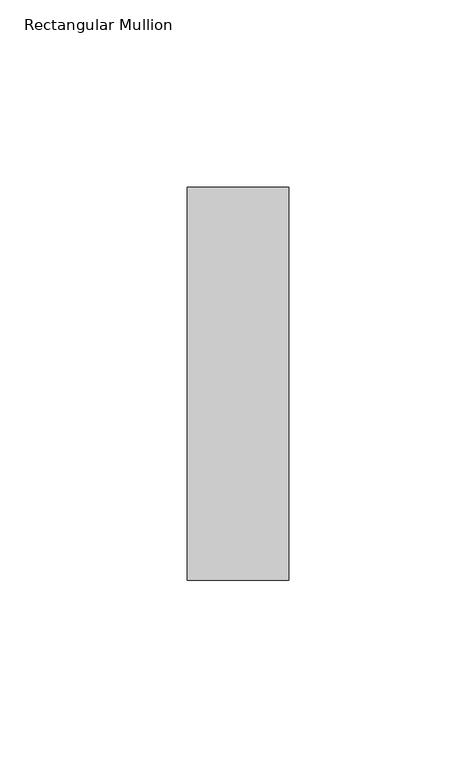
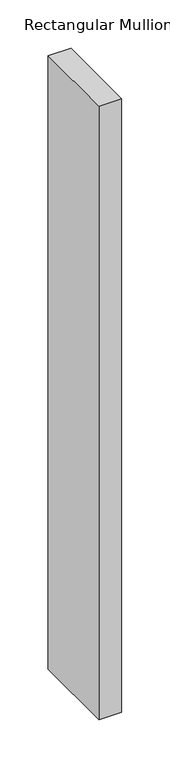
"""IFC4 building model written with IfcOpenShell, lengths in millimetres: member geometry, Rectangular Mullion."""

from ifc_helpers import new_model, si_unit, frame, origin, place, context, project, spatial, polyline, outline, extrude, source, transform, mapped, element, save


def rectangular_mullion_b8248dda(model_context):
    return source(origin(), model_context, "Body", "SweptSolid", [
        extrude(outline(polyline([(0.0, 52.3975), (0.0, -52.3975), (-27.0, -52.3975), (-27.0, 52.3975), (0.0, 52.3975)])), frame((0.0, 0.0, -773.0), z_axis=(0.0, 0.0, 1.0), x_axis=(1.0, 0.0, 0.0)), (0.0, 0.0, 1.0), 773.0),
    ])


if __name__ == "__main__":
    model = new_model("IFC4")
    model_context = context("Model", 3, world=origin())
    ifc_project = project(units=[si_unit("LENGTHUNIT", "METRE", prefix="MILLI")], contexts=[model_context])
    site = spatial("IfcSite", under=ifc_project)
    building = spatial("IfcBuilding", under=site)
    placement = place(None, origin())
    rectangular_mullion_shape = rectangular_mullion_b8248dda(model_context)
    element("IfcMember", 1, ObjectType="Rectangular Mullion", at=placement, inside=building, context=model_context, shape_type="MappedRepresentation", body=[
        mapped(rectangular_mullion_shape, transform((0.0, 0.0, 0.0), x_axis=(1.0, 0.0, 0.0), y_axis=(0.0, 1.0, 0.0), z_axis=(0.0, 0.0, 1.0))),
    ])
    save(model, "model.ifc")
